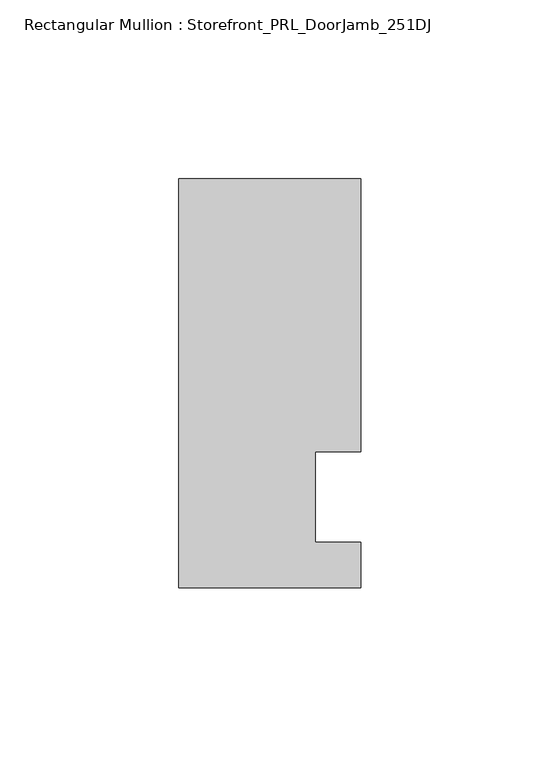
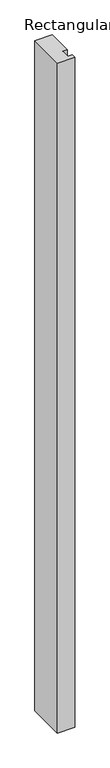
"""IFC4 building model written with IfcOpenShell, lengths in millimetres: member geometry, Rectangular Mullion : Storefront_PRL_DoorJamb_251DJ."""

from ifc_helpers import new_model, si_unit, frame, origin, place, context, project, spatial, polyline, outline, extrude, source, transform, mapped, element, save


def rectangular_mullion_storefront_prl_doorjamb_251dj_e17dd79d(model_context):
    return source(origin(), model_context, "Body", "SweptSolid", [
        extrude(outline(polyline([(12.7, 12.7), (12.7, -12.7), (25.4, -12.7), (25.4, -25.4), (-25.4, -25.4), (-25.4, 88.9), (25.4, 88.9), (25.4, 12.7), (12.7, 12.7)])), frame((0.0, 0.0, -2072.48125), z_axis=(0.0, 0.0, 1.0), x_axis=(1.0, 0.0, 0.0)), (0.0, 0.0, 1.0), 2072.48125),
    ])


if __name__ == "__main__":
    model = new_model("IFC4")
    model_context = context("Model", 3, world=origin())
    ifc_project = project(units=[si_unit("LENGTHUNIT", "METRE", prefix="MILLI")], contexts=[model_context])
    site = spatial("IfcSite", under=ifc_project)
    building = spatial("IfcBuilding", under=site)
    placement = place(None, origin())
    rectangular_mullion_storefront_prl_doorjamb_251dj_shape = rectangular_mullion_storefront_prl_doorjamb_251dj_e17dd79d(model_context)
    element("IfcMember", 1, ObjectType="Rectangular Mullion : Storefront_PRL_DoorJamb_251DJ", at=placement, inside=building, context=model_context, shape_type="MappedRepresentation", body=[
        mapped(rectangular_mullion_storefront_prl_doorjamb_251dj_shape, transform((0.0, 0.0, 0.0), x_axis=(1.0, 0.0, 0.0), y_axis=(0.0, 1.0, 0.0), z_axis=(0.0, 0.0, 1.0))),
    ])
    save(model, "model.ifc")
